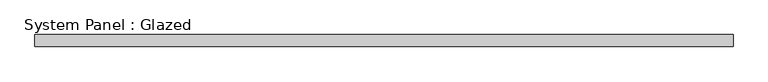
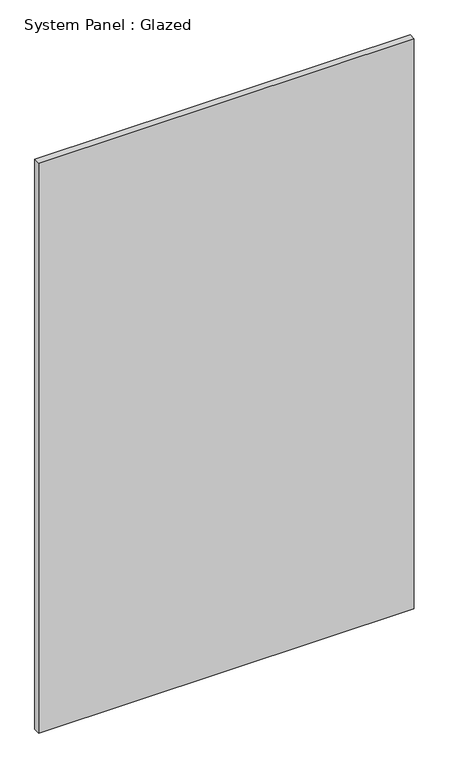
"""IFC4 building model written with IfcOpenShell, lengths in millimetres: plate geometry, System Panel : Glazed."""

import ifcopenshell
import ifcopenshell.guid

model = None  # the IFC model being written
_history = None  # IfcOwnerHistory: only IFC2X3 demands one
_inside = {}  # id of a spatial element -> (the spatial element, [elements in it])
_under = {}  # id of a project, library or spatial element -> (it, [spatial elements below it])
_declared = {}  # id of a project -> (the project, [libraries it declares])
_typed = {}  # id of a type object -> (the type object, [elements of that type])
_made_of = {}  # id of a material, layer set ... -> (it, [elements and type objects made of it])


def new_model(schema):
    """Start an empty IFC model of exactly this schema.

    Asked for "IFC4X3", IfcOpenShell would pick the latest addendum, in which some entities
    have other attributes; the version numbers below select the first issue.
    IFC2X3 requires an IfcOwnerHistory on every rooted entity: one is made here for all.
    """
    global model, _history
    if schema == "IFC4X3":
        model = ifcopenshell.file(schema_version=(4, 3, 0, 0))
    else:
        model = ifcopenshell.file(schema=schema)
    _inside.clear()
    _under.clear()
    _declared.clear()
    _typed.clear()
    _made_of.clear()
    _history = None
    if model.schema == "IFC2X3":
        org = make("IfcOrganization", Name="unknown")
        user = make(
            "IfcPersonAndOrganization",
            ThePerson=make("IfcPerson", FamilyName="unknown"),
            TheOrganization=org,
        )
        app = make(
            "IfcApplication",
            ApplicationDeveloper=org,
            Version="unknown",
            ApplicationFullName="unknown",
            ApplicationIdentifier="unknown",
        )
        _history = make(
            "IfcOwnerHistory",
            OwningUser=user,
            OwningApplication=app,
            ChangeAction="ADDED",
            CreationDate=0,
        )
    return model


def make(cls, **values):
    """One entity of the class cls with the attributes given. An attribute that is None is left unset."""
    return model.create_entity(
        cls, **{name: value for name, value in values.items() if value is not None}
    )


def rooted(cls, **values):
    """An entity with a GlobalId (a new one), such as an element, a storey or a relation."""
    return make(cls, GlobalId=ifcopenshell.guid.new(), OwnerHistory=_history, **values)


def si_unit(unit_type, name, prefix=None):
    """IfcSIUnit, for example si_unit("LENGTHUNIT", "METRE", prefix="MILLI")."""
    return make("IfcSIUnit", UnitType=unit_type, Prefix=prefix, Name=name)


def assignment(units):
    """IfcUnitAssignment: the units of a project."""
    return None if units is None else make("IfcUnitAssignment", Units=units)


def point(xyz):
    """IfcCartesianPoint."""
    return None if xyz is None else make("IfcCartesianPoint", Coordinates=xyz)


def direction(xyz):
    """IfcDirection."""
    return None if xyz is None else make("IfcDirection", DirectionRatios=xyz)


def frame(location, z_axis=None, x_axis=None):
    """IfcAxis2Placement3D, a coordinate frame: its origin and axes. An axis left out is left unset."""
    return make(
        "IfcAxis2Placement3D",
        Location=point(location),
        Axis=direction(z_axis),
        RefDirection=direction(x_axis),
    )


def origin():
    """The frame at (0, 0, 0) with its axes left unset."""
    return frame((0.0, 0.0, 0.0))


def origin_with_axes():
    """The frame at (0, 0, 0) with the z axis (0, 0, 1) and the x axis (1, 0, 0) written out."""
    return frame((0.0, 0.0, 0.0), z_axis=(0.0, 0.0, 1.0), x_axis=(1.0, 0.0, 0.0))


def place(relative_to, where):
    """IfcLocalPlacement: puts the frame where relative to a parent placement (None: the world)."""
    return make(
        "IfcLocalPlacement", PlacementRelTo=relative_to, RelativePlacement=where
    )


def context(
    kind, dimensions, precision=None, world=None, true_north=None, identifier=None
):
    """IfcGeometricRepresentationContext, for example the 3D "Model" context."""
    return make(
        "IfcGeometricRepresentationContext",
        ContextIdentifier=identifier,
        ContextType=kind,
        CoordinateSpaceDimension=dimensions,
        Precision=precision,
        WorldCoordinateSystem=world,
        TrueNorth=true_north,
    )


def project(units=None, contexts=None):
    """IfcProject with its units and contexts."""
    return rooted(
        "IfcProject",
        Name="project",
        RepresentationContexts=contexts,
        UnitsInContext=assignment(units),
    )


def spatial(cls, under=None, at=None, **own):
    """A site, building, storey or space (cls), placed at a placement, below another one or the project."""
    s = rooted(cls, ObjectPlacement=at, **own)
    if under is not None:
        _under.setdefault(under.id(), (under, []))[1].append(s)
    return s


def polyline(points):
    """IfcPolyline through the points."""
    return make("IfcPolyline", Points=[point(p) for p in points])


def outline(outer, holes=None, kind="AREA"):
    """IfcArbitraryClosedProfileDef: a profile drawn as a closed curve; with holes, ...WithVoids."""
    if holes is None:
        return make("IfcArbitraryClosedProfileDef", ProfileType=kind, OuterCurve=outer)
    return make(
        "IfcArbitraryProfileDefWithVoids",
        ProfileType=kind,
        OuterCurve=outer,
        InnerCurves=holes,
    )


def extrude(swept, where, along, depth):
    """IfcExtrudedAreaSolid: the profile swept, set in the frame where, extruded along a direction by depth."""
    return make(
        "IfcExtrudedAreaSolid",
        SweptArea=swept,
        Position=where,
        ExtrudedDirection=direction(along),
        Depth=depth,
    )


def shape(context_of_items, identifier, shape_type, items):
    """IfcShapeRepresentation: the items that make up one representation, for example the "Body"."""
    return make(
        "IfcShapeRepresentation",
        ContextOfItems=context_of_items,
        RepresentationIdentifier=identifier,
        RepresentationType=shape_type,
        Items=items,
    )


def source(mapping_origin, context_of_items, identifier, shape_type, items):
    """IfcRepresentationMap: a shape defined once, which mapped items show again and again."""
    return make(
        "IfcRepresentationMap",
        MappingOrigin=mapping_origin,
        MappedRepresentation=shape(context_of_items, identifier, shape_type, items),
    )


def transform(
    local_origin,
    x_axis=None,
    y_axis=None,
    z_axis=None,
    scale=None,
    scale2=None,
    scale3=None,
    uniform=True,
):
    """IfcCartesianTransformationOperator3D, or its non-uniform kind. x_axis, y_axis, z_axis: its Axis1, 2, 3."""
    if uniform:
        return make(
            "IfcCartesianTransformationOperator3D",
            Axis1=direction(x_axis),
            Axis2=direction(y_axis),
            LocalOrigin=point(local_origin),
            Scale=scale,
            Axis3=direction(z_axis),
        )
    return make(
        "IfcCartesianTransformationOperator3DnonUniform",
        Axis1=direction(x_axis),
        Axis2=direction(y_axis),
        LocalOrigin=point(local_origin),
        Scale=scale,
        Axis3=direction(z_axis),
        Scale2=scale2,
        Scale3=scale3,
    )


def mapped(mapping_source, mapping_target):
    """IfcMappedItem: shows the shape of a source again, moved by a transform."""
    return make(
        "IfcMappedItem", MappingSource=mapping_source, MappingTarget=mapping_target
    )


def made_of(thing, what):
    """Note that an element or type object is made of a material, layer set ...; save() writes the relation."""
    if what is not None:
        _made_of.setdefault(what.id(), (what, []))[1].append(thing)
    return thing


def element(
    cls,
    number,
    at=None,
    inside=None,
    cuts=None,
    type_object=None,
    material=None,
    context=None,
    identifier="Body",
    shape_type=None,
    held_by="IfcProductDefinitionShape",
    body=None,
    shapes=None,
    **own,
):
    """One element of the class cls, such as IfcWall. Its Tag is "e" and its number.

    at: its placement. inside: the storey or other place that contains it. cuts: it is an
    opening in that element (IfcRelVoidsElement). A single representation is given by context,
    identifier, shape_type and body (its items); several are given by shapes. held_by: the class
    of the entity that holds the representations. save() writes the other relations.
    """
    e = rooted(cls, Tag="e%d" % number, ObjectPlacement=at, **own)
    if body is not None:
        shapes = [shape(context, identifier, shape_type, body)]
    if shapes is not None:
        e.Representation = make(held_by, Representations=shapes)
    if inside is not None:
        _inside.setdefault(inside.id(), (inside, []))[1].append(e)
    if cuts is not None:
        rooted(
            "IfcRelVoidsElement", RelatingBuildingElement=cuts, RelatedOpeningElement=e
        )
    if type_object is not None:
        _typed.setdefault(type_object.id(), (type_object, []))[1].append(e)
    return made_of(e, material)


def aggregate(whole, parts):
    """IfcRelAggregates: a whole, such as a stair, and the parts it consists of."""
    return rooted("IfcRelAggregates", RelatingObject=whole, RelatedObjects=parts)


def save(model, path):
    """Write the relations noted so far, then the file.

    IfcRelAggregates (storeys below a building ...), IfcRelContainedInSpatialStructure (elements
    in a storey), IfcRelDefinesByType, IfcRelAssociatesMaterial and IfcRelDeclares: one each for
    every whole, place, type object, material and project.
    """
    for whole, parts in _under.values():
        aggregate(whole, parts)
    for where, things in _inside.values():
        rooted(
            "IfcRelContainedInSpatialStructure",
            RelatedElements=things,
            RelatingStructure=where,
        )
    for kind, things in _typed.values():
        rooted("IfcRelDefinesByType", RelatedObjects=things, RelatingType=kind)
    for what, things in _made_of.values():
        rooted("IfcRelAssociatesMaterial", RelatedObjects=things, RelatingMaterial=what)
    for by, libraries in _declared.values():
        rooted("IfcRelDeclares", RelatingContext=by, RelatedDefinitions=libraries)
    model.write(path)


def system_panel_glazed_31750ab8(model_context):
    return source(origin(), model_context, "Body", "SweptSolid", [
        extrude(outline(polyline([(724.7903141, 24.5), (-724.7903141, 24.5), (-724.7903141, 49.5), (724.7903141, 49.5), (724.7903141, 24.5)])), origin_with_axes(), (0.0, 0.0, 1.0), 2325.0),
    ])


if __name__ == "__main__":
    model = new_model("IFC4")
    model_context = context("Model", 3, world=origin())
    ifc_project = project(units=[si_unit("LENGTHUNIT", "METRE", prefix="MILLI")], contexts=[model_context])
    site = spatial("IfcSite", under=ifc_project)
    building = spatial("IfcBuilding", under=site)
    placement = place(None, origin())
    system_panel_glazed_shape = system_panel_glazed_31750ab8(model_context)
    element("IfcPlate", 1, ObjectType="System Panel : Glazed", at=placement, inside=building, context=model_context, shape_type="MappedRepresentation", body=[
        mapped(system_panel_glazed_shape, transform((0.0, 0.0, 0.0), x_axis=(1.0, 0.0, 0.0), y_axis=(0.0, 1.0, 0.0), z_axis=(0.0, 0.0, 1.0))),
    ])
    save(model, "model.ifc")
